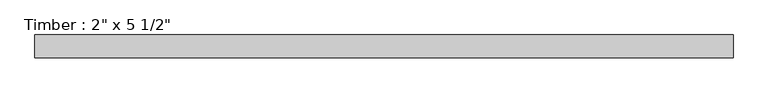
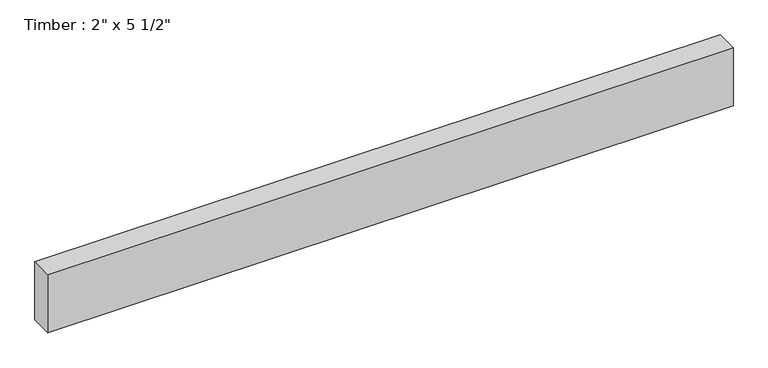
"""IFC4 building model written with IfcOpenShell, lengths in millimetres: beam geometry."""

from ifc_helpers import new_model, si_unit, frame, origin, place, context, project, spatial, polyline, outline, extrude, source, transform, mapped, element, save


def beam_8369c5bf(model_context):
    return source(origin(), model_context, "Body", "SweptSolid", [
        extrude(outline(polyline([(779.5235971, 25.4), (779.5235971, -25.4), (-779.5235971, -25.4), (-779.5235971, 25.4), (779.5235971, 25.4)])), frame((0.0, 0.0, -69.85), z_axis=(0.0, 0.0, 1.0), x_axis=(1.0, 0.0, 0.0)), (0.0, 0.0, 1.0), 139.7),
    ])


if __name__ == "__main__":
    model = new_model("IFC4")
    model_context = context("Model", 3, world=origin())
    ifc_project = project(units=[si_unit("LENGTHUNIT", "METRE", prefix="MILLI")], contexts=[model_context])
    site = spatial("IfcSite", under=ifc_project)
    building = spatial("IfcBuilding", under=site)
    placement = place(None, origin())
    beam_shape = beam_8369c5bf(model_context)
    element("IfcBeam", 1, ObjectType="Timber : 2\" x 5 1/2\"", at=placement, inside=building, context=model_context, shape_type="MappedRepresentation", body=[
        mapped(beam_shape, transform((0.0, 0.0, 0.0), x_axis=(1.0, 0.0, 0.0), y_axis=(0.0, 1.0, 0.0), z_axis=(0.0, 0.0, 1.0))),
    ])
    save(model, "model.ifc")
